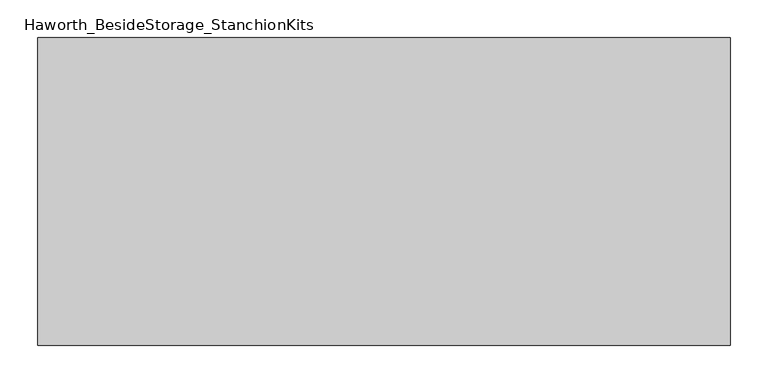
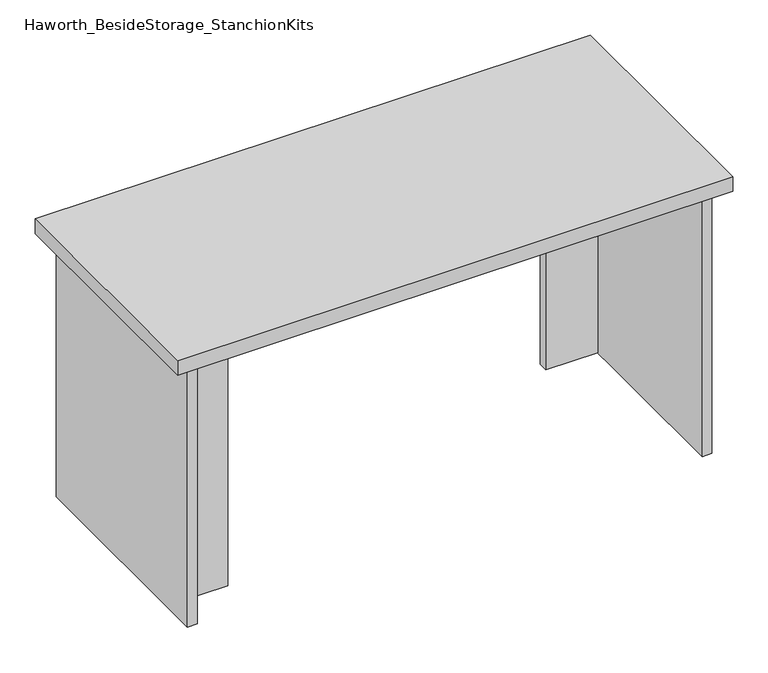
"""IFC4 building model written with IfcOpenShell, lengths in millimetres: furniture geometry, Haworth_BesideStorage_StanchionKits."""

from ifc_helpers import new_model, si_unit, frame, origin, place, context, project, spatial, polyline, outline, extrude, source, transform, mapped, element, save


def haworth_besidestorage_stanchionkits_9ab294a1(model_context):
    return source(origin(), model_context, "Body", "SweptSolid", [
        extrude(outline(polyline([(619.125, 0.0), (619.125, -406.4), (-295.275, -406.4), (-295.275, 0.0), (619.125, 0.0)])), frame((0.0, 0.0, 889.0), z_axis=(0.0, 0.0, 1.0), x_axis=(1.0, 0.0, 0.0)), (0.0, 0.0, 1.0), 25.4),
        extrude(outline(polyline([(492.125, -76.2), (577.85, -76.2), (577.85, -92.075), (492.125, -92.075), (492.125, -76.2)])), frame((0.0, 0.0, 431.8), z_axis=(0.0, 0.0, 1.0), x_axis=(1.0, 0.0, 0.0)), (0.0, 0.0, 1.0), 457.2),
        extrude(outline(polyline([(-168.275, -314.325), (-168.275, -330.2), (-254.0, -330.2), (-254.0, -314.325), (-168.275, -314.325)])), frame((0.0, 0.0, 431.8), z_axis=(0.0, 0.0, 1.0), x_axis=(1.0, 0.0, 0.0)), (0.0, 0.0, 1.0), 457.2),
        extrude(outline(polyline([(593.725, -390.525), (577.85, -390.525), (577.85, -15.875), (593.725, -15.875), (593.725, -390.525)])), frame((0.0, 0.0, 431.8), z_axis=(0.0, 0.0, 1.0), x_axis=(1.0, 0.0, 0.0)), (0.0, 0.0, 1.0), 457.2),
        extrude(outline(polyline([(-254.0, -390.525), (-269.875, -390.525), (-269.875, -15.875), (-254.0, -15.875), (-254.0, -390.525)])), frame((0.0, 0.0, 431.8), z_axis=(0.0, 0.0, 1.0), x_axis=(1.0, 0.0, 0.0)), (0.0, 0.0, 1.0), 457.2),
    ])


if __name__ == "__main__":
    model = new_model("IFC4")
    model_context = context("Model", 3, world=origin())
    ifc_project = project(units=[si_unit("LENGTHUNIT", "METRE", prefix="MILLI")], contexts=[model_context])
    site = spatial("IfcSite", under=ifc_project)
    building = spatial("IfcBuilding", under=site)
    placement = place(None, origin())
    haworth_besidestorage_stanchionkits_shape = haworth_besidestorage_stanchionkits_9ab294a1(model_context)
    element("IfcFurniture", 1, ObjectType="Haworth_BesideStorage_StanchionKits", at=placement, inside=building, context=model_context, shape_type="MappedRepresentation", body=[
        mapped(haworth_besidestorage_stanchionkits_shape, transform((0.0, 0.0, 0.0), x_axis=(1.0, 0.0, 0.0), y_axis=(0.0, 1.0, 0.0), z_axis=(0.0, 0.0, 1.0))),
    ])
    save(model, "model.ifc")
